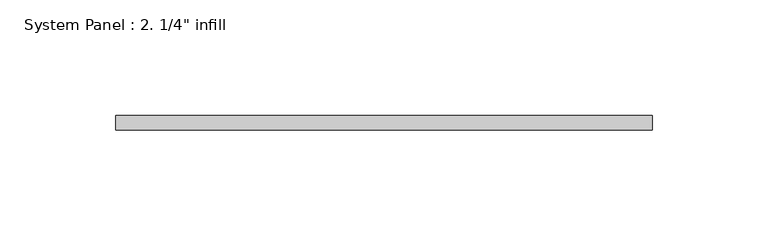
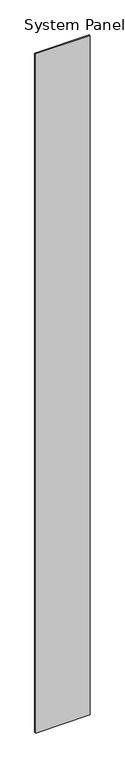
"""IFC4 building model written with IfcOpenShell, lengths in millimetres: plate geometry."""

from ifc_helpers import new_model, si_unit, origin, origin_with_axes, place, context, project, spatial, polyline, outline, extrude, source, transform, mapped, element, save


def plate_b716abaa(model_context):
    return source(origin(), model_context, "Body", "SweptSolid", [
        extrude(outline(polyline([(116.0597609, -6.35), (-116.0597609, -6.35), (-116.0597609, 0.0), (116.0597609, 0.0), (116.0597609, -6.35)])), origin_with_axes(), (0.0, 0.0, 1.0), 3048.0),
    ])


if __name__ == "__main__":
    model = new_model("IFC4")
    model_context = context("Model", 3, world=origin())
    ifc_project = project(units=[si_unit("LENGTHUNIT", "METRE", prefix="MILLI")], contexts=[model_context])
    site = spatial("IfcSite", under=ifc_project)
    building = spatial("IfcBuilding", under=site)
    placement = place(None, origin())
    plate_shape = plate_b716abaa(model_context)
    element("IfcPlate", 1, ObjectType="System Panel : 2. 1/4\" infill", at=placement, inside=building, context=model_context, shape_type="MappedRepresentation", body=[
        mapped(plate_shape, transform((0.0, 0.0, 0.0), x_axis=(1.0, 0.0, 0.0), y_axis=(0.0, 1.0, 0.0), z_axis=(0.0, 0.0, 1.0))),
    ])
    save(model, "model.ifc")
